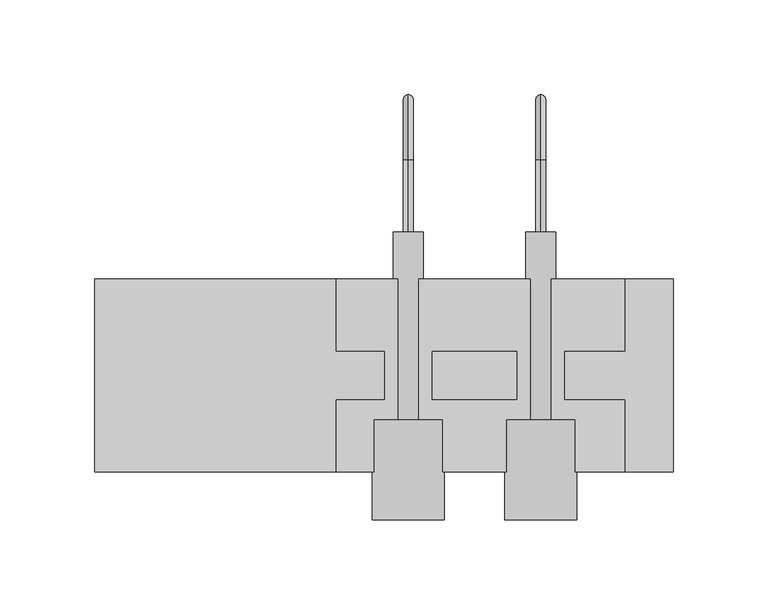
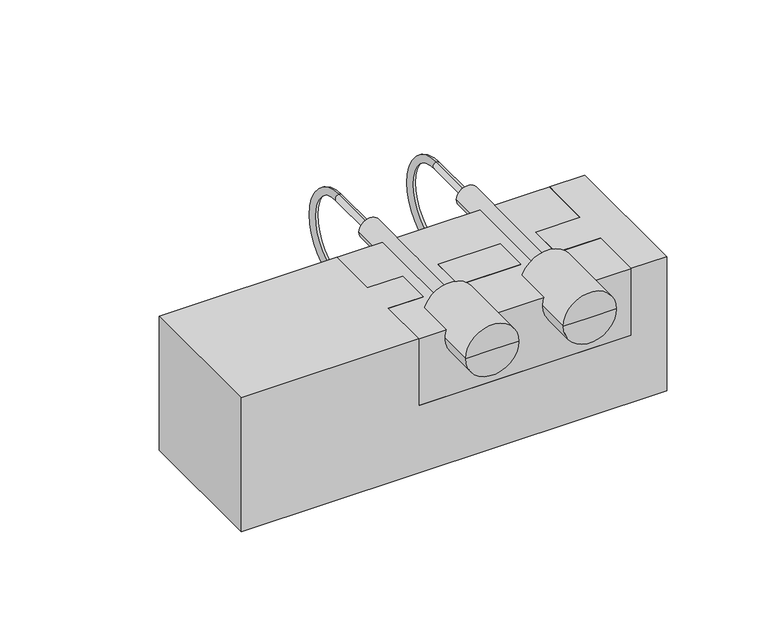
"""IFC4 building model written with IfcOpenShell, lengths in millimetres: proxy geometry."""

from ifc_helpers import new_model, si_unit, point, frame, origin, origin_with_axes, place, context, project, spatial, polyline, circle_curve, ellipse_curve, trimmed, outline, extrude, source, transform, mapped, element, save
from ifc_brep_helpers import plane_surface, cylinder_surface, revolved_surface, advanced_brep


def specialty_equipment_c5a041e0(model_context):
    return source(origin(), model_context, "Body", "SolidModel", [
        advanced_brep(
        [(12.7737194, -127.0, 95.25), (-6.2762806, -127.0, 95.25), (31.8237194, -127.0, 95.25), (4.8466964, 24.7249832, 95.25), (10.1521722, 24.7249832, 95.25), (12.7737194, 24.7249832, 92.6284528), (15.3952666, 24.7249832, 95.25), (20.7007425, 24.7249832, 95.25), (12.7737194, 24.7249832, 97.8715472), (20.7007425, -74.2600179, 95.25), (4.8466964, -74.2600179, 95.25), (31.8237194, -74.2600179, 95.25), (-6.2762806, -74.2600179, 95.25), (12.7737194, 62.8249832, 92.6284528), (12.7737194, 62.8249832, 97.8715472), (12.7737194, 62.8249832, 34.3715472), (12.7737194, 62.8249832, 29.1284528), (12.7737194, -6.35, 29.1284528), (12.7737194, -6.35, 34.3715472)],
        [
            (0, 1),
            (1, 2, circle_curve(frame((12.7737194, -127.0, 95.25), z_axis=(0.0, -1.0, 0.0), x_axis=(1.0, 0.0, 0.0)), 19.05)),
            (2, 0),
            (2, 1, circle_curve(frame((12.7737194, -127.0, 95.25), z_axis=(0.0, -1.0, 0.0), x_axis=(1.0, 0.0, 0.0)), 19.05)),
            (3, 4),
            (4, 5, circle_curve(frame((12.7737194, 24.7249832, 95.25), z_axis=(0.0, -1.0, 0.0), x_axis=(0.0, 0.0, -1.0)), 2.6215472)),
            (5, 6, circle_curve(frame((12.7737194, 24.7249832, 95.25), z_axis=(0.0, -1.0, 0.0), x_axis=(0.0, 0.0, -1.0)), 2.6215472)),
            (6, 7),
            (7, 3, circle_curve(frame((12.7737194, 24.7249832, 95.25), z_axis=(0.0, 1.0, 0.0), x_axis=(1.0, 0.0, 0.0)), 7.927023)),
            (6, 8, circle_curve(frame((12.7737194, 24.7249832, 95.25), z_axis=(0.0, -1.0, 0.0), x_axis=(0.0, 0.0, -1.0)), 2.6215472)),
            (8, 4, circle_curve(frame((12.7737194, 24.7249832, 95.25), z_axis=(0.0, -1.0, 0.0), x_axis=(0.0, 0.0, -1.0)), 2.6215472)),
            (3, 7, circle_curve(frame((12.7737194, 24.7249832, 95.25), z_axis=(0.0, 1.0, 0.0), x_axis=(1.0, 0.0, 0.0)), 7.927023)),
            (7, 9),
            (9, 10, circle_curve(frame((12.7737194, -74.2600179, 95.25), z_axis=(0.0, 1.0, 0.0), x_axis=(1.0, 0.0, 0.0)), 7.927023)),
            (10, 3),
            (10, 9, circle_curve(frame((12.7737194, -74.2600179, 95.25), z_axis=(0.0, 1.0, 0.0), x_axis=(1.0, 0.0, 0.0)), 7.927023)),
            (9, 11),
            (11, 12, circle_curve(frame((12.7737194, -74.2600179, 95.25), z_axis=(0.0, 1.0, 0.0), x_axis=(1.0, 0.0, 0.0)), 19.05)),
            (12, 10),
            (12, 11, circle_curve(frame((12.7737194, -74.2600179, 95.25), z_axis=(0.0, 1.0, 0.0), x_axis=(1.0, 0.0, 0.0)), 19.05)),
            (1, 12),
            (11, 2),
            (5, 13),
            (13, 14, circle_curve(frame((12.7737194, 62.8249832, 95.25), z_axis=(0.0, -1.0, 0.0), x_axis=(0.0, 0.0, -1.0)), 2.6215472)),
            (14, 8),
            (14, 13, circle_curve(frame((12.7737194, 62.8249832, 95.25), z_axis=(0.0, -1.0, 0.0), x_axis=(0.0, 0.0, -1.0)), 2.6215472)),
            (13, 15, circle_curve(frame((12.7737194, 62.8249832, 63.5), z_axis=(-1.0, 0.0, 0.0), x_axis=(0.0, 0.0, 1.0)), 29.1284528)),
            (15, 16, circle_curve(frame((12.7737194, 62.8249832, 31.75), z_axis=(0.0, 1.0, 0.0), x_axis=(0.0, 0.0, 1.0)), 2.6215472)),
            (16, 14, circle_curve(frame((12.7737194, 62.8249832, 63.5), z_axis=(1.0, 0.0, 0.0), x_axis=(0.0, 0.0, 1.0)), 34.3715472)),
            (16, 15, circle_curve(frame((12.7737194, 62.8249832, 31.75), z_axis=(0.0, 1.0, 0.0), x_axis=(0.0, 0.0, 1.0)), 2.6215472)),
            (17, 18, circle_curve(frame((12.7737194, -6.35, 31.75), z_axis=(0.0, -1.0, 0.0), x_axis=(0.0, 0.0, 1.0)), 2.6215472)),
            (18, 17, circle_curve(frame((12.7737194, -6.35, 31.75), z_axis=(0.0, -1.0, 0.0), x_axis=(0.0, 0.0, 1.0)), 2.6215472)),
            (15, 18),
            (17, 16),
        ],
        [
            plane_surface(frame((12.7737194, -127.0, 95.25), z_axis=(0.0, -1.0, 0.0), x_axis=(1.0, 0.0, 0.0))),
            plane_surface(frame((12.7737194, 24.7249832, 95.25), z_axis=(0.0, 1.0, 0.0), x_axis=(1.0, 0.0, 0.0))),
            cylinder_surface(frame((12.7737194, -44.45, 95.25), z_axis=(0.0, -1.0, 0.0), x_axis=(1.0, 0.0, 0.0)), 7.927023),
            plane_surface(frame((12.7737194, -74.2600179, 95.25), z_axis=(0.0, 1.0, 0.0), x_axis=(1.0, 0.0, 0.0))),
            cylinder_surface(frame((12.7737194, -44.45, 95.25), z_axis=(0.0, -1.0, 0.0), x_axis=(1.0, 0.0, 0.0)), 19.05),
            cylinder_surface(frame((12.7737194, 24.7249832, 95.25), z_axis=(0.0, -1.0, 0.0), x_axis=(0.0, 0.0, -1.0)), 2.6215472),
            revolved_surface(trimmed(ellipse_curve(frame((12.7737194, 62.8249832, 95.25), z_axis=(0.0, 1.0, 0.0), x_axis=(0.0, 0.0, -1.0)), 2.6215472, 2.6215472), [point((12.7737194, 62.8249832, 97.8715472))], [point((12.7737194, 62.8249832, 92.6284528))], True, "CARTESIAN"), (-177.7262806, 62.8249832, 63.5), (1.0, 0.0, 0.0)),
            revolved_surface(trimmed(ellipse_curve(frame((12.7737194, 62.8249832, 95.25), z_axis=(0.0, 1.0, 0.0), x_axis=(0.0, 0.0, -1.0)), 2.6215472, 2.6215472), [point((12.7737194, 62.8249832, 92.6284528))], [point((12.7737194, 62.8249832, 97.8715472))], True, "CARTESIAN"), (-177.7262806, 62.8249832, 63.5), (1.0, 0.0, 0.0)),
            plane_surface(frame((-177.7262806, -6.35, 31.75), z_axis=(0.0, -1.0, 0.0), x_axis=(1.0, 0.0, 0.0))),
            cylinder_surface(frame((12.7737194, 62.8249832, 31.75), z_axis=(0.0, 1.0, 0.0), x_axis=(0.0, 0.0, 1.0)), 2.6215472),
        ],
        [
            (0, [[1, 2, 3]]),
            (0, [[4, -1, -3]]),
            (1, [[5, 6, 7, 8, 9]]),
            (1, [[-8, 10, 11, -5, 12]]),
            (2, [[13, 14, 15, -9]]),
            (2, [[-15, 16, -13, -12]]),
            (3, [[17, 18, 19, -14]]),
            (3, [[-19, 20, -17, -16]]),
            (4, [[21, -18, 22, -2]]),
            (4, [[-22, -20, -21, -4]]),
            (5, [[-10, -7, 23, 24, 25]]),
            (5, [[26, -23, -6, -11, -25]]),
            (6, [[27, 28, 29, -24]]),
            (7, [[-29, 30, -27, -26]]),
            (8, [[31, 32]]),
            (9, [[33, -31, 34, -28]]),
            (9, [[-34, -32, -33, -30]]),
        ],
    ),
        advanced_brep(
        [(82.6237194, -127.0, 95.25), (63.5737194, -127.0, 95.25), (101.6737194, -127.0, 95.25), (74.6966964, 24.7249832, 95.25), (80.0021722, 24.7249832, 95.25), (82.6237194, 24.7249832, 92.6284528), (85.2452666, 24.7249832, 95.25), (90.5507425, 24.7249832, 95.25), (82.6237194, 24.7249832, 97.8715472), (90.5507425, -74.2600179, 95.25), (74.6966964, -74.2600179, 95.25), (101.6737194, -74.2600179, 95.25), (63.5737194, -74.2600179, 95.25), (82.6237194, 62.8249832, 92.6284528), (82.6237194, 62.8249832, 97.8715472), (82.6237194, 62.8249832, 34.3715472), (82.6237194, 62.8249832, 29.1284528), (82.6237194, -6.35, 29.1284528), (82.6237194, -6.35, 34.3715472)],
        [
            (0, 1),
            (1, 2, circle_curve(frame((82.6237194, -127.0, 95.25), z_axis=(0.0, -1.0, 0.0), x_axis=(1.0, 0.0, 0.0)), 19.05)),
            (2, 0),
            (2, 1, circle_curve(frame((82.6237194, -127.0, 95.25), z_axis=(0.0, -1.0, 0.0), x_axis=(1.0, 0.0, 0.0)), 19.05)),
            (3, 4),
            (4, 5, circle_curve(frame((82.6237194, 24.7249832, 95.25), z_axis=(0.0, -1.0, 0.0), x_axis=(0.0, 0.0, -1.0)), 2.6215472)),
            (5, 6, circle_curve(frame((82.6237194, 24.7249832, 95.25), z_axis=(0.0, -1.0, 0.0), x_axis=(0.0, 0.0, -1.0)), 2.6215472)),
            (6, 7),
            (7, 3, circle_curve(frame((82.6237194, 24.7249832, 95.25), z_axis=(0.0, 1.0, 0.0), x_axis=(1.0, 0.0, 0.0)), 7.927023)),
            (6, 8, circle_curve(frame((82.6237194, 24.7249832, 95.25), z_axis=(0.0, -1.0, 0.0), x_axis=(0.0, 0.0, -1.0)), 2.6215472)),
            (8, 4, circle_curve(frame((82.6237194, 24.7249832, 95.25), z_axis=(0.0, -1.0, 0.0), x_axis=(0.0, 0.0, -1.0)), 2.6215472)),
            (3, 7, circle_curve(frame((82.6237194, 24.7249832, 95.25), z_axis=(0.0, 1.0, 0.0), x_axis=(1.0, 0.0, 0.0)), 7.927023)),
            (7, 9),
            (9, 10, circle_curve(frame((82.6237194, -74.2600179, 95.25), z_axis=(0.0, 1.0, 0.0), x_axis=(1.0, 0.0, 0.0)), 7.927023)),
            (10, 3),
            (10, 9, circle_curve(frame((82.6237194, -74.2600179, 95.25), z_axis=(0.0, 1.0, 0.0), x_axis=(1.0, 0.0, 0.0)), 7.927023)),
            (9, 11),
            (11, 12, circle_curve(frame((82.6237194, -74.2600179, 95.25), z_axis=(0.0, 1.0, 0.0), x_axis=(1.0, 0.0, 0.0)), 19.05)),
            (12, 10),
            (12, 11, circle_curve(frame((82.6237194, -74.2600179, 95.25), z_axis=(0.0, 1.0, 0.0), x_axis=(1.0, 0.0, 0.0)), 19.05)),
            (1, 12),
            (11, 2),
            (5, 13),
            (13, 14, circle_curve(frame((82.6237194, 62.8249832, 95.25), z_axis=(0.0, -1.0, 0.0), x_axis=(0.0, 0.0, -1.0)), 2.6215472)),
            (14, 8),
            (14, 13, circle_curve(frame((82.6237194, 62.8249832, 95.25), z_axis=(0.0, -1.0, 0.0), x_axis=(0.0, 0.0, -1.0)), 2.6215472)),
            (13, 15, circle_curve(frame((82.6237194, 62.8249832, 63.5), z_axis=(-1.0, 0.0, 0.0), x_axis=(0.0, 0.0, 1.0)), 29.1284528)),
            (15, 16, circle_curve(frame((82.6237194, 62.8249832, 31.75), z_axis=(0.0, 1.0, 0.0), x_axis=(0.0, 0.0, 1.0)), 2.6215472)),
            (16, 14, circle_curve(frame((82.6237194, 62.8249832, 63.5), z_axis=(1.0, 0.0, 0.0), x_axis=(0.0, 0.0, 1.0)), 34.3715472)),
            (16, 15, circle_curve(frame((82.6237194, 62.8249832, 31.75), z_axis=(0.0, 1.0, 0.0), x_axis=(0.0, 0.0, 1.0)), 2.6215472)),
            (17, 18, circle_curve(frame((82.6237194, -6.35, 31.75), z_axis=(0.0, -1.0, 0.0), x_axis=(0.0, 0.0, 1.0)), 2.6215472)),
            (18, 17, circle_curve(frame((82.6237194, -6.35, 31.75), z_axis=(0.0, -1.0, 0.0), x_axis=(0.0, 0.0, 1.0)), 2.6215472)),
            (15, 18),
            (17, 16),
        ],
        [
            plane_surface(frame((82.6237194, -127.0, 95.25), z_axis=(0.0, -1.0, 0.0), x_axis=(1.0, 0.0, 0.0))),
            plane_surface(frame((82.6237194, 24.7249832, 95.25), z_axis=(0.0, 1.0, 0.0), x_axis=(1.0, 0.0, 0.0))),
            cylinder_surface(frame((82.6237194, -44.45, 95.25), z_axis=(0.0, -1.0, 0.0), x_axis=(1.0, 0.0, 0.0)), 7.927023),
            plane_surface(frame((82.6237194, -74.2600179, 95.25), z_axis=(0.0, 1.0, 0.0), x_axis=(1.0, 0.0, 0.0))),
            cylinder_surface(frame((82.6237194, -44.45, 95.25), z_axis=(0.0, -1.0, 0.0), x_axis=(1.0, 0.0, 0.0)), 19.05),
            cylinder_surface(frame((82.6237194, 24.7249832, 95.25), z_axis=(0.0, -1.0, 0.0), x_axis=(0.0, 0.0, -1.0)), 2.6215472),
            revolved_surface(trimmed(ellipse_curve(frame((82.6237194, 62.8249832, 95.25), z_axis=(0.0, 1.0, 0.0), x_axis=(0.0, 0.0, -1.0)), 2.6215472, 2.6215472), [point((82.6237194, 62.8249832, 97.8715472))], [point((82.6237194, 62.8249832, 92.6284528))], True, "CARTESIAN"), (-107.8762806, 62.8249832, 63.5), (1.0, 0.0, 0.0)),
            revolved_surface(trimmed(ellipse_curve(frame((82.6237194, 62.8249832, 95.25), z_axis=(0.0, 1.0, 0.0), x_axis=(0.0, 0.0, -1.0)), 2.6215472, 2.6215472), [point((82.6237194, 62.8249832, 92.6284528))], [point((82.6237194, 62.8249832, 97.8715472))], True, "CARTESIAN"), (-107.8762806, 62.8249832, 63.5), (1.0, 0.0, 0.0)),
            plane_surface(frame((-107.8762806, -6.35, 31.75), z_axis=(0.0, -1.0, 0.0), x_axis=(1.0, 0.0, 0.0))),
            cylinder_surface(frame((82.6237194, 62.8249832, 31.75), z_axis=(0.0, 1.0, 0.0), x_axis=(0.0, 0.0, 1.0)), 2.6215472),
        ],
        [
            (0, [[1, 2, 3]]),
            (0, [[4, -1, -3]]),
            (1, [[5, 6, 7, 8, 9]]),
            (1, [[-8, 10, 11, -5, 12]]),
            (2, [[13, 14, 15, -9]]),
            (2, [[-15, 16, -13, -12]]),
            (3, [[17, 18, 19, -14]]),
            (3, [[-19, 20, -17, -16]]),
            (4, [[21, -18, 22, -2]]),
            (4, [[-22, -20, -21, -4]]),
            (5, [[-10, -7, 23, 24, 25]]),
            (5, [[26, -23, -6, -11, -25]]),
            (6, [[27, 28, 29, -24]]),
            (7, [[-29, 30, -27, -26]]),
            (8, [[31, 32]]),
            (9, [[33, -31, 34, -28]]),
            (9, [[-34, -32, -33, -30]]),
        ],
    ),
        advanced_brep(
        [(152.4, -101.6, 0.0), (152.4, -101.6, 101.6), (127.0737194, -101.6, 101.6), (127.0737194, -101.6, 50.8), (-25.3262806, -101.6, 50.8), (-25.3262806, -101.6, 101.6), (-152.4, -101.6, 101.6), (-152.4, -101.6, 0.0), (152.4, 0.0, 0.0), (-152.4, 0.0, 0.0), (-152.4, 0.0, 101.6), (-25.3262806, 0.0, 101.6), (-25.3262806, 0.0, 50.8), (127.0737194, 0.0, 50.8), (127.0737194, 0.0, 101.6), (152.4, 0.0, 101.6), (-25.3262806, -63.5, 101.6), (0.0737194, -63.5, 101.6), (0.0737194, -38.1, 101.6), (-25.3262806, -38.1, 101.6), (127.0737194, -38.1, 101.6), (95.3237194, -38.1, 101.6), (95.3237194, -63.5, 101.6), (127.0737194, -63.5, 101.6), (25.4737194, -38.1, 101.6), (25.4737194, -63.5, 101.6), (69.9237194, -63.5, 101.6), (69.9237194, -38.1, 101.6), (0.0737194, -38.1, 82.55), (25.4737194, -38.1, 82.55), (69.9237194, -38.1, 82.55), (95.3237194, -38.1, 82.55), (127.0737194, -38.1, 50.8), (-25.3262806, -38.1, 50.8), (95.3237194, -63.5, 82.55), (69.9237194, -63.5, 82.55), (25.4737194, -63.5, 82.55), (0.0737194, -63.5, 82.55), (-25.3262806, -63.5, 50.8), (127.0737194, -63.5, 50.8)],
        [
            (0, 1),
            (1, 2),
            (2, 3),
            (3, 4),
            (4, 5),
            (5, 6),
            (6, 7),
            (7, 0),
            (8, 9),
            (9, 10),
            (10, 11),
            (11, 12),
            (12, 13),
            (13, 14),
            (14, 15),
            (15, 8),
            (7, 9),
            (8, 0),
            (6, 10),
            (5, 16),
            (16, 17),
            (17, 18),
            (18, 19),
            (19, 11),
            (14, 20),
            (20, 21),
            (21, 22),
            (22, 23),
            (23, 2),
            (1, 15),
            (24, 25),
            (25, 26),
            (26, 27),
            (27, 24),
            (18, 28),
            (28, 29, circle_curve(frame((12.7737194, -38.1, 82.55), z_axis=(0.0, -1.0, 0.0), x_axis=(1.0, 0.0, 0.0)), 12.7)),
            (29, 24),
            (27, 30),
            (30, 31, circle_curve(frame((82.6237194, -38.1, 82.55), z_axis=(0.0, -1.0, 0.0), x_axis=(1.0, 0.0, 0.0)), 12.7)),
            (31, 21),
            (20, 32),
            (32, 33),
            (33, 19),
            (13, 32),
            (12, 33),
            (22, 34),
            (34, 35, circle_curve(frame((82.6237194, -63.5, 82.55), z_axis=(0.0, 1.0, 0.0), x_axis=(1.0, 0.0, 0.0)), 12.7)),
            (35, 26),
            (25, 36),
            (36, 37, circle_curve(frame((12.7737194, -63.5, 82.55), z_axis=(0.0, 1.0, 0.0), x_axis=(1.0, 0.0, 0.0)), 12.7)),
            (37, 17),
            (16, 38),
            (38, 39),
            (39, 23),
            (39, 3),
            (38, 4),
            (37, 28),
            (29, 36),
            (35, 30),
            (31, 34),
        ],
        [
            plane_surface(frame((-152.4, -101.6, 0.0), z_axis=(0.0, -1.0, 0.0), x_axis=(-1.0, 0.0, 0.0))),
            plane_surface(frame((-152.4, 0.0, 0.0), z_axis=(0.0, 1.0, 0.0), x_axis=(1.0, 0.0, 0.0))),
            plane_surface(frame((152.4, -101.6, 0.0), z_axis=(0.0, 0.0, -1.0), x_axis=(0.0, 1.0, 0.0))),
            plane_surface(frame((-152.4, -101.6, 0.0), z_axis=(-1.0, 0.0, 0.0), x_axis=(0.0, 1.0, 0.0))),
            plane_surface(frame((-152.4, -101.6, 101.6), z_axis=(0.0, 0.0, 1.0), x_axis=(0.0, 1.0, 0.0))),
            plane_surface(frame((152.4, -101.6, 101.6), z_axis=(1.0, 0.0, 0.0), x_axis=(0.0, 1.0, 0.0))),
            plane_surface(frame((127.0737194, -38.1, 101.6), z_axis=(0.0, 1.0, 0.0), x_axis=(0.0, 0.0, -1.0))),
            plane_surface(frame((127.0737194, -38.1, 101.6), z_axis=(-1.0, 0.0, 0.0), x_axis=(0.0, 1.0, 0.0))),
            plane_surface(frame((127.0737194, -38.1, 50.8), z_axis=(0.0, 0.0, 1.0), x_axis=(0.0, 1.0, 0.0))),
            plane_surface(frame((-25.3262806, -38.1, 50.8), z_axis=(1.0, 0.0, 0.0), x_axis=(0.0, 1.0, 0.0))),
            plane_surface(frame((127.0737194, -63.5, 101.6), z_axis=(0.0, -1.0, 0.0), x_axis=(0.0, 0.0, 1.0))),
            plane_surface(frame((127.0737194, -101.6, 101.6), z_axis=(-1.0, 0.0, 0.0), x_axis=(0.0, 1.0, 0.0))),
            plane_surface(frame((127.0737194, -101.6, 50.8), z_axis=(0.0, 0.0, 1.0), x_axis=(0.0, 1.0, 0.0))),
            plane_surface(frame((-25.3262806, -101.6, 50.8), z_axis=(1.0, 0.0, 0.0), x_axis=(0.0, 1.0, 0.0))),
            plane_surface(frame((0.0737194, -63.5, 82.55), z_axis=(1.0, 0.0, 0.0), x_axis=(0.0, 1.0, 0.0))),
            plane_surface(frame((25.4737194, -63.5, 101.6), z_axis=(-1.0, 0.0, 0.0), x_axis=(0.0, 1.0, 0.0))),
            revolved_surface(polyline([(25.4737194, -63.5, 82.55), (25.4737194, -38.1, 82.55)]), (12.7737194, -38.1, 82.55), (0.0, -1.0, 0.0)),
            plane_surface(frame((69.9237194, -63.5, 82.55), z_axis=(1.0, 0.0, 0.0), x_axis=(0.0, 1.0, 0.0))),
            plane_surface(frame((95.3237194, -63.5, 101.6), z_axis=(-1.0, 0.0, 0.0), x_axis=(0.0, 1.0, 0.0))),
            revolved_surface(polyline([(95.3237194, -63.5, 82.55), (95.3237194, -38.099999999999994, 82.55)]), (82.6237194, -152.4, 82.55), (0.0, -1.0, 0.0)),
        ],
        [
            (0, [[1, 2, 3, 4, 5, 6, 7, 8]]),
            (1, [[9, 10, 11, 12, 13, 14, 15, 16]]),
            (2, [[17, -9, 18, -8]]),
            (3, [[19, -10, -17, -7]]),
            (4, [[-6, 20, 21, 22, 23, 24, -11, -19]]),
            (4, [[-15, 25, 26, 27, 28, 29, -2, 30]]),
            (4, [[31, 32, 33, 34]]),
            (5, [[-18, -16, -30, -1]]),
            (6, [[-23, 35, 36, 37, -34, 38, 39, 40, -26, 41, 42, 43]]),
            (7, [[-25, -14, 44, -41]]),
            (8, [[-44, -13, 45, -42]]),
            (9, [[-45, -12, -24, -43]]),
            (10, [[-28, 46, 47, 48, -32, 49, 50, 51, -21, 52, 53, 54]]),
            (11, [[55, -3, -29, -54]]),
            (12, [[56, -4, -55, -53]]),
            (13, [[-20, -5, -56, -52]]),
            (14, [[-35, -22, -51, 57]]),
            (15, [[-49, -31, -37, 58]]),
            (16, [[-50, -58, -36, -57]]),
            (17, [[-38, -33, -48, 59]]),
            (18, [[-46, -27, -40, 60]]),
            (19, [[-47, -60, -39, -59]]),
        ],
    ),
        extrude(outline(polyline([(152.4, -101.6), (-152.4, -101.6), (-152.4, 0.0), (152.4, 0.0), (152.4, -101.6)])), origin_with_axes(), (0.0, 0.0, 1.0), 101.6),
    ])


if __name__ == "__main__":
    model = new_model("IFC4")
    model_context = context("Model", 3, world=origin())
    ifc_project = project(units=[si_unit("LENGTHUNIT", "METRE", prefix="MILLI")], contexts=[model_context])
    site = spatial("IfcSite", under=ifc_project)
    building = spatial("IfcBuilding", under=site)
    placement = place(None, origin())
    specialty_equipment_shape = specialty_equipment_c5a041e0(model_context)
    element("IfcBuildingElementProxy", 1, Name="Specialty Equipment", at=placement, inside=building, context=model_context, shape_type="MappedRepresentation", body=[
        mapped(specialty_equipment_shape, transform((0.0, 0.0, 0.0), x_axis=(1.0, 0.0, 0.0), y_axis=(0.0, 1.0, 0.0), z_axis=(0.0, 0.0, 1.0))),
    ])
    save(model, "model.ifc")
